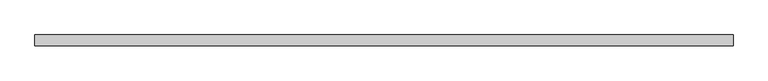
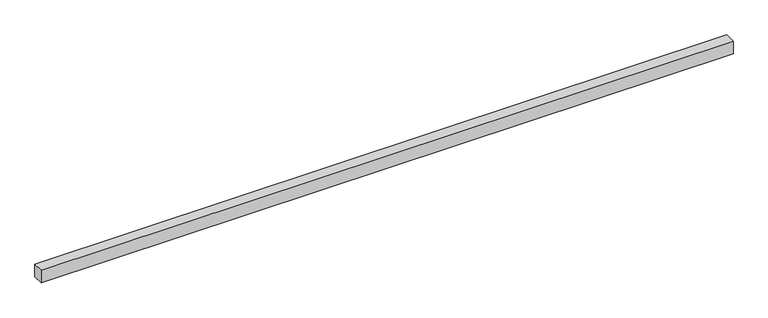
"""IFC4 building model written with IfcOpenShell, lengths in millimetres: proxy geometry."""

from ifc_helpers import new_model, si_unit, frame, origin, place, context, project, spatial, polyline, outline, extrude, source, transform, mapped, element, save


def generic_models_603eacf8(model_context):
    return source(origin(), model_context, "Body", "SweptSolid", [
        extrude(outline(polyline([(40.0, 0.0), (-40.0, 0.0), (-40.0, 5150.0), (40.0, 5150.0), (40.0, 0.0)])), frame((5150.0, 0.0, 0.0), z_axis=(0.0, -1.9783474858313244e-12, 1.0), x_axis=(0.0, 1.0, 1.9783474858313244e-12)), (0.0, 0.0, 1.0), 100.0),
    ])


if __name__ == "__main__":
    model = new_model("IFC4")
    model_context = context("Model", 3, world=origin())
    ifc_project = project(units=[si_unit("LENGTHUNIT", "METRE", prefix="MILLI")], contexts=[model_context])
    site = spatial("IfcSite", under=ifc_project)
    building = spatial("IfcBuilding", under=site)
    placement = place(None, origin())
    generic_models_shape = generic_models_603eacf8(model_context)
    element("IfcBuildingElementProxy", 1, Name="Generic Models", at=placement, inside=building, context=model_context, shape_type="MappedRepresentation", body=[
        mapped(generic_models_shape, transform((0.0, 0.0, 0.0), x_axis=(1.0, 0.0, 0.0), y_axis=(0.0, 1.0, 0.0), z_axis=(0.0, 0.0, 1.0))),
    ])
    save(model, "model.ifc")
